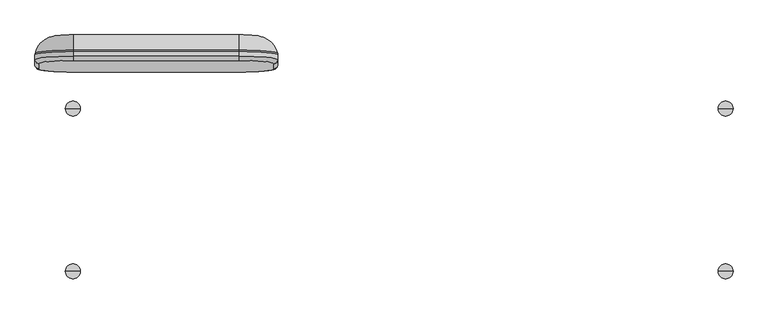
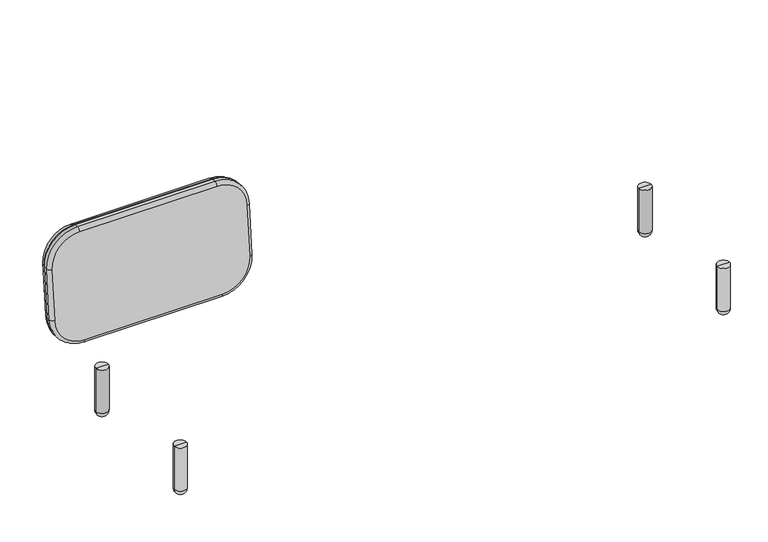
"""IFC4 building model written with IfcOpenShell, lengths in millimetres: furniture geometry."""

from ifc_helpers import new_model, si_unit, point, frame, origin, place, context, project, spatial, circle_curve, ellipse_curve, trimmed, source, transform, mapped, element, save
from ifc_brep_helpers import plane_surface, cylinder_surface, revolved_surface, advanced_brep


def furniture_05282ba3(model_context):
    return source(origin(), model_context, "Body", "AdvancedBrep", [
        advanced_brep(
        [(723.6309449, 439.994675, 555.7190034), (596.6309449, 451.0634543, 682.2357301), (596.6309449, 437.3049037, 670.6909353), (710.9309449, 427.3430023, 556.8258813), (723.6309449, 455.5265861, 554.3601372), (596.6309449, 466.5953655, 680.8768639), (710.9309449, 409.6329554, 354.3991187), (723.6309449, 422.2846281, 353.2922407), (723.6309449, 437.8165392, 351.9333746), (596.6309449, 399.671054, 240.5340647), (596.6309449, 411.2158488, 226.7755141), (596.6309449, 426.7477599, 225.4166479), (50.8286011, 399.671054, 240.5340647), (50.8286011, 411.2158488, 226.7755141), (50.8286011, 426.7477599, 225.4166479), (-63.4713989, 409.6329554, 354.3991187), (-76.1713989, 422.2846281, 353.2922407), (-76.1713989, 437.8165392, 351.9333746), (-63.4713989, 427.3430023, 556.8258813), (-76.1713989, 439.994675, 555.7190034), (-76.1713989, 455.5265861, 554.3601372), (50.8286011, 437.3049037, 670.6909353), (50.8286011, 451.0634543, 682.2357301), (50.8286011, 466.5953655, 680.8768639), (-6.3213989, 499.3807584, 346.5472033), (-6.3213989, 517.0908053, 548.973966), (50.8286011, 522.071756, 605.906493), (596.6309449, 522.071756, 605.906493), (653.7809449, 517.0908053, 548.973966), (653.7809449, 499.3807584, 346.5472033), (596.6309449, 494.3998077, 289.6146763), (50.8286011, 494.3998077, 289.6146763), (723.1321942, 460.5162968, 553.9235941), (596.6309449, 471.5416071, 679.943468), (723.1321942, 442.8062499, 351.4968315), (596.6309449, 431.7809395, 225.4769576), (50.8286011, 431.7809395, 225.4769576), (-75.6726482, 442.8062499, 351.4968315), (-75.6726482, 460.5162968, 553.9235941), (50.8286011, 471.5416071, 679.943468)],
        [
            (0, 1, circle_curve(frame((596.6309449, 439.994675, 555.7190034), z_axis=(0.0, -0.996194698091745, 0.08715574274766426), x_axis=(0.0, 0.08715574274766426, 0.996194698091745)), 127.0)),
            (1, 2, circle_curve(frame((596.6309449, 449.9565764, 669.5840574), z_axis=(1.0, 0.0, 0.0), x_axis=(0.0, -0.08715574274766424, -0.996194698091745)), 12.7)),
            (2, 3, circle_curve(frame((596.6309449, 427.3430023, 556.8258813), z_axis=(0.0, 0.996194698091745, -0.08715574274766426), x_axis=(0.0, 0.08715574274766426, 0.996194698091745)), 114.3)),
            (3, 0, circle_curve(frame((710.9309449, 439.994675, 555.7190034), z_axis=(0.0, 0.08715574274766424, 0.996194698091745), x_axis=(-1.0, 0.0, 0.0)), 12.7)),
            (0, 4),
            (4, 5, circle_curve(frame((596.6309449, 455.5265861, 554.3601372), z_axis=(0.0, -0.996194698091745, 0.08715574274766426), x_axis=(0.0, 0.08715574274766426, 0.996194698091745)), 127.0)),
            (5, 1),
            (3, 6),
            (6, 7, circle_curve(frame((710.9309449, 422.2846281, 353.2922407), z_axis=(0.0, 0.08715574274766427, 0.9961946980917451), x_axis=(-1.0, 0.0, 0.0)), 12.7)),
            (7, 0),
            (7, 8),
            (8, 4),
            (6, 9, circle_curve(frame((596.6309449, 409.6329554, 354.3991187), z_axis=(0.0, 0.996194698091745, -0.08715574274766426), x_axis=(1.0, 0.0, 0.0)), 114.3)),
            (9, 10, circle_curve(frame((596.6309449, 412.3227267, 239.4271867), z_axis=(1.0, 0.0, 0.0), x_axis=(0.0, 0.08715574274766427, 0.996194698091745)), 12.7)),
            (10, 7, circle_curve(frame((596.6309449, 422.2846281, 353.2922407), z_axis=(0.0, -0.996194698091745, 0.08715574274766426), x_axis=(1.0, 0.0, 0.0)), 127.0)),
            (10, 11),
            (11, 8, circle_curve(frame((596.6309449, 437.8165392, 351.9333746), z_axis=(0.0, -0.996194698091745, 0.08715574274766426), x_axis=(1.0, 0.0, 0.0)), 127.0)),
            (9, 12),
            (12, 13, circle_curve(frame((50.8286011, 412.3227267, 239.4271867), z_axis=(1.0, 0.0, 0.0), x_axis=(0.0, 0.08715574274766426, 0.996194698091745)), 12.7)),
            (13, 10),
            (13, 14),
            (14, 11),
            (12, 15, circle_curve(frame((50.8286011, 409.6329554, 354.3991187), z_axis=(0.0, 0.996194698091745, -0.08715574274766426), x_axis=(0.0, -0.08715574274766426, -0.996194698091745)), 114.3)),
            (15, 16, circle_curve(frame((-63.4713989, 422.2846281, 353.2922407), z_axis=(0.0, -0.08715574274766429, -0.996194698091745), x_axis=(1.0, 0.0, 0.0)), 12.7)),
            (16, 13, circle_curve(frame((50.8286011, 422.2846281, 353.2922407), z_axis=(0.0, -0.996194698091745, 0.08715574274766426), x_axis=(0.0, -0.08715574274766426, -0.996194698091745)), 127.0)),
            (16, 17),
            (17, 14, circle_curve(frame((50.8286011, 437.8165392, 351.9333746), z_axis=(0.0, -0.996194698091745, 0.08715574274766426), x_axis=(0.0, -0.08715574274766426, -0.996194698091745)), 127.0)),
            (15, 18),
            (18, 19, circle_curve(frame((-63.4713989, 439.994675, 555.7190034), z_axis=(0.0, -0.08715574274766426, -0.9961946980917451), x_axis=(1.0, 0.0, 0.0)), 12.7)),
            (19, 16),
            (19, 20),
            (20, 17),
            (18, 21, circle_curve(frame((50.8286011, 427.3430023, 556.8258813), z_axis=(0.0, 0.996194698091745, -0.08715574274766426), x_axis=(-1.0, 0.0, 0.0)), 114.3)),
            (21, 22, circle_curve(frame((50.8286011, 449.9565764, 669.5840574), z_axis=(-1.0, 0.0, 0.0), x_axis=(0.0, -0.08715574274766424, -0.996194698091745)), 12.7)),
            (22, 19, circle_curve(frame((50.8286011, 439.994675, 555.7190034), z_axis=(0.0, -0.996194698091745, 0.08715574274766426), x_axis=(-1.0, 0.0, 0.0)), 127.0)),
            (22, 23),
            (23, 20, circle_curve(frame((50.8286011, 455.5265861, 554.3601372), z_axis=(0.0, -0.996194698091745, 0.08715574274766426), x_axis=(-1.0, 0.0, 0.0)), 127.0)),
            (1, 22),
            (21, 2),
            (5, 23),
            (24, 25),
            (25, 26, circle_curve(frame((50.8286011, 517.0908053, 548.973966), z_axis=(0.0, 0.996194698091745, -0.08715574274766426), x_axis=(-1.0, 0.0, 0.0)), 57.15)),
            (26, 27),
            (27, 28, circle_curve(frame((596.6309449, 517.0908053, 548.973966), z_axis=(0.0, 0.996194698091745, -0.08715574274766426), x_axis=(0.0, 0.08715574274766426, 0.996194698091745)), 57.15)),
            (28, 29),
            (29, 30, circle_curve(frame((596.6309449, 499.3807584, 346.5472033), z_axis=(0.0, 0.996194698091745, -0.08715574274766426), x_axis=(1.0, 0.0, 0.0)), 57.15)),
            (30, 31),
            (31, 24, circle_curve(frame((50.8286011, 499.3807584, 346.5472033), z_axis=(0.0, 0.996194698091745, -0.08715574274766426), x_axis=(0.0, -0.08715574274766426, -0.996194698091745)), 57.15)),
            (4, 32, circle_curve(frame((698.2309449, 455.5265861, 554.3601372), z_axis=(0.0, 0.08715574274766424, 0.996194698091745), x_axis=(-1.0, 0.0, 0.0)), 25.4)),
            (32, 33, circle_curve(frame((596.6309449, 460.5162968, 553.9235941), z_axis=(0.0, -0.996194698091745, 0.08715574274766426), x_axis=(0.0, 0.08715574274766426, 0.996194698091745)), 126.5012493)),
            (33, 5, circle_curve(frame((596.6309449, 464.3816096, 655.5735186), z_axis=(1.0, 0.0, 0.0), x_axis=(0.0, -0.08715574274766424, -0.996194698091745)), 25.4)),
            (27, 33, circle_curve(frame((596.6309449, 451.6006488, 612.071916), z_axis=(1.0, 0.0, 0.0), x_axis=(0.0, -0.08715574274766424, -0.996194698091745)), 70.7402954)),
            (32, 28, circle_curve(frame((653.7809449, 446.6196981, 555.139389), z_axis=(0.0, 0.08715574274766424, 0.996194698091745), x_axis=(-1.0, 0.0, 0.0)), 70.7402954)),
            (8, 34, circle_curve(frame((698.2309449, 437.8165392, 351.9333746), z_axis=(0.0, 0.08715574274766427, 0.9961946980917451), x_axis=(-1.0, 0.0, 0.0)), 25.4)),
            (34, 32),
            (34, 29, circle_curve(frame((653.7809449, 428.9096512, 352.7126263), z_axis=(0.0, 0.08715574274766427, 0.9961946980917451), x_axis=(-1.0, 0.0, 0.0)), 70.7402954)),
            (11, 35, circle_curve(frame((596.6309449, 428.9615157, 250.7199933), z_axis=(1.0, 0.0, 0.0), x_axis=(0.0, 0.08715574274766427, 0.996194698091745)), 25.4)),
            (35, 34, circle_curve(frame((596.6309449, 442.8062499, 351.4968315), z_axis=(0.0, -0.996194698091745, 0.08715574274766426), x_axis=(1.0, 0.0, 0.0)), 126.5012493)),
            (35, 30, circle_curve(frame((596.6309449, 423.9287005, 295.7800993), z_axis=(1.0, 0.0, 0.0), x_axis=(0.0, 0.08715574274766427, 0.996194698091745)), 70.7402954)),
            (14, 36, circle_curve(frame((50.8286011, 428.9615157, 250.7199933), z_axis=(1.0, 0.0, 0.0), x_axis=(0.0, 0.08715574274766426, 0.996194698091745)), 25.4)),
            (36, 35),
            (36, 31, circle_curve(frame((50.8286011, 423.9287005, 295.7800993), z_axis=(1.0, 0.0, 0.0), x_axis=(0.0, 0.08715574274766426, 0.996194698091745)), 70.7402954)),
            (17, 37, circle_curve(frame((-50.7713989, 437.8165392, 351.9333746), z_axis=(0.0, -0.08715574274766429, -0.996194698091745), x_axis=(1.0, 0.0, 0.0)), 25.4)),
            (37, 36, circle_curve(frame((50.8286011, 442.8062499, 351.4968315), z_axis=(0.0, -0.996194698091745, 0.08715574274766426), x_axis=(0.0, -0.08715574274766426, -0.996194698091745)), 126.5012493)),
            (37, 24, circle_curve(frame((-6.3213989, 428.9096512, 352.7126263), z_axis=(0.0, -0.08715574274766429, -0.996194698091745), x_axis=(1.0, 0.0, 0.0)), 70.7402954)),
            (20, 38, circle_curve(frame((-50.7713989, 455.5265861, 554.3601372), z_axis=(0.0, -0.08715574274766426, -0.9961946980917451), x_axis=(1.0, 0.0, 0.0)), 25.4)),
            (38, 37),
            (38, 25, circle_curve(frame((-6.3213989, 446.6196981, 555.139389), z_axis=(0.0, -0.08715574274766426, -0.9961946980917451), x_axis=(1.0, 0.0, 0.0)), 70.7402954)),
            (23, 39, circle_curve(frame((50.8286011, 464.3816096, 655.5735186), z_axis=(-1.0, 0.0, 0.0), x_axis=(0.0, -0.08715574274766426, -0.996194698091745)), 25.4)),
            (39, 38, circle_curve(frame((50.8286011, 460.5162968, 553.9235941), z_axis=(0.0, -0.996194698091745, 0.08715574274766426), x_axis=(-1.0, 0.0, 0.0)), 126.5012493)),
            (39, 26, circle_curve(frame((50.8286011, 451.6006488, 612.071916), z_axis=(-1.0, 0.0, 0.0), x_axis=(0.0, -0.08715574274766426, -0.996194698091745)), 70.7402954)),
            (33, 39),
        ],
        [
            revolved_surface(trimmed(ellipse_curve(frame((596.6309449, 449.9565764, 669.5840574), z_axis=(-1.0, 0.0, 0.0), x_axis=(0.0, -0.08715574274766424, -0.996194698091745)), 12.7, 12.7), [point((596.6309449, 437.3049037, 670.6909353))], [point((596.6309449, 451.0634543, 682.2357301))], True, "CARTESIAN"), (596.6309449, 427.3430023, 556.8258813), (0.0, 0.996194698091745, -0.08715574274766426)),
            cylinder_surface(frame((596.6309449, 427.3430023, 556.8258813), z_axis=(0.0, 0.996194698091745, -0.08715574274766426), x_axis=(0.0, 0.08715574274766426, 0.996194698091745)), 127.0),
            cylinder_surface(frame((710.9309449, 439.994675, 555.7190034), z_axis=(0.0, 0.08715574274766427, 0.9961946980917451), x_axis=(-1.0, 0.0, 0.0)), 12.7),
            plane_surface(frame((723.6309449, 439.994675, 555.7190034), z_axis=(1.0, 0.0, 0.0), x_axis=(0.0, -0.0871557427476642, -0.996194698091745))),
            revolved_surface(trimmed(ellipse_curve(frame((710.9309449, 422.2846281, 353.2922407), z_axis=(0.0, 0.08715574274766423, 0.996194698091745), x_axis=(-1.0, 0.0, 0.0)), 12.7, 12.7), [point((710.9309449, 409.6329554, 354.3991187))], [point((723.6309449, 422.2846281, 353.2922407))], True, "CARTESIAN"), (596.6309449, 409.6329554, 354.3991187), (0.0, 0.996194698091745, -0.08715574274766426)),
            cylinder_surface(frame((596.6309449, 409.6329554, 354.3991187), z_axis=(0.0, 0.996194698091745, -0.08715574274766426), x_axis=(1.0, 0.0, 0.0)), 127.0),
            cylinder_surface(frame((596.6309449, 412.3227267, 239.4271867), z_axis=(1.0, 0.0, 0.0), x_axis=(0.0, 0.08715574274766426, 0.996194698091745)), 12.7),
            plane_surface(frame((596.6309449, 411.2158488, 226.7755141), z_axis=(0.0, -0.08715574274766154, -0.9961946980917452), x_axis=(-1.0, 0.0, 0.0))),
            revolved_surface(trimmed(ellipse_curve(frame((50.8286011, 412.3227267, 239.4271867), z_axis=(1.0, 0.0, 0.0), x_axis=(0.0, 0.08715574274766426, 0.996194698091745)), 12.7, 12.7), [point((50.8286011, 399.671054, 240.5340647))], [point((50.8286011, 411.2158488, 226.7755141))], True, "CARTESIAN"), (50.8286011, 409.6329554, 354.3991187), (0.0, 0.996194698091745, -0.08715574274766426)),
            cylinder_surface(frame((50.8286011, 409.6329554, 354.3991187), z_axis=(0.0, 0.996194698091745, -0.08715574274766426), x_axis=(0.0, -0.08715574274766426, -0.996194698091745)), 127.0),
            cylinder_surface(frame((-63.4713989, 422.2846281, 353.2922407), z_axis=(0.0, -0.08715574274766426, -0.9961946980917451), x_axis=(1.0, 0.0, 0.0)), 12.7),
            plane_surface(frame((-76.1713989, 422.2846281, 353.2922407), z_axis=(-1.0, 0.0, 0.0), x_axis=(0.0, 0.08715574274766429, 0.996194698091745))),
            revolved_surface(trimmed(ellipse_curve(frame((-63.4713989, 439.994675, 555.7190034), z_axis=(0.0, -0.08715574274766424, -0.996194698091745), x_axis=(1.0, 0.0, 0.0)), 12.7, 12.7), [point((-63.4713989, 427.3430023, 556.8258813))], [point((-76.1713989, 439.994675, 555.7190034))], True, "CARTESIAN"), (50.8286011, 427.3430023, 556.8258813), (0.0, 0.996194698091745, -0.08715574274766426)),
            cylinder_surface(frame((50.8286011, 427.3430023, 556.8258813), z_axis=(0.0, 0.996194698091745, -0.08715574274766426), x_axis=(-1.0, 0.0, 0.0)), 127.0),
            cylinder_surface(frame((50.8286011, 449.9565764, 669.5840574), z_axis=(-1.0, 0.0, 0.0), x_axis=(0.0, -0.08715574274766426, -0.996194698091745)), 12.7),
            plane_surface(frame((50.8286011, 451.0634543, 682.2357301), z_axis=(0.0, 0.08715574274766698, 0.9961946980917449), x_axis=(1.0, 0.0, 0.0))),
            plane_surface(frame((50.8286011, 522.071756, 605.906493), z_axis=(0.0, 0.9961946980917451, -0.08715574274766395), x_axis=(1.0, 0.0, 0.0))),
            plane_surface(frame((50.8286011, 429.5567582, 582.1292267), z_axis=(0.0, -0.996194698091745, 0.08715574274766422), x_axis=(1.0, 0.0, 0.0))),
            revolved_surface(trimmed(ellipse_curve(frame((596.6309449, 464.3816096, 655.5735186), z_axis=(-1.0, 0.0, 0.0), x_axis=(0.0, -0.08715574274766424, -0.996194698091745)), 25.4, 25.4), [point((596.6309449, 466.5953655, 680.8768639))], [point((596.6309449, 471.5416071, 679.943468))], True, "CARTESIAN"), (596.6309449, 427.3430023, 556.8258813), (0.0, 0.996194698091745, -0.08715574274766426)),
            revolved_surface(trimmed(ellipse_curve(frame((596.6309449, 451.6006488, 612.071916), z_axis=(-1.0, 0.0, 0.0), x_axis=(0.0, -0.08715574274766424, -0.996194698091745)), 70.7402954, 70.7402954), [point((596.6309449, 471.5416071, 679.943468))], [point((596.6309449, 522.071756, 605.906493))], True, "CARTESIAN"), (596.6309449, 427.3430023, 556.8258813), (0.0, 0.996194698091745, -0.08715574274766426)),
            cylinder_surface(frame((698.2309449, 455.5265861, 554.3601372), z_axis=(0.0, 0.08715574274766427, 0.9961946980917451), x_axis=(-1.0, 0.0, 0.0)), 25.4),
            cylinder_surface(frame((653.7809449, 446.6196981, 555.139389), z_axis=(0.0, 0.08715574274766427, 0.9961946980917451), x_axis=(-1.0, 0.0, 0.0)), 70.7402954),
            revolved_surface(trimmed(ellipse_curve(frame((698.2309449, 437.8165392, 351.9333746), z_axis=(0.0, 0.08715574274766423, 0.996194698091745), x_axis=(-1.0, 0.0, 0.0)), 25.4, 25.4), [point((723.6309449, 437.8165392, 351.9333746))], [point((723.1321942, 442.8062499, 351.4968315))], True, "CARTESIAN"), (596.6309449, 409.6329554, 354.3991187), (0.0, 0.996194698091745, -0.08715574274766426)),
            revolved_surface(trimmed(ellipse_curve(frame((653.7809449, 428.9096512, 352.7126263), z_axis=(0.0, 0.08715574274766423, 0.996194698091745), x_axis=(-1.0, 0.0, 0.0)), 70.7402954, 70.7402954), [point((723.1321942, 442.8062499, 351.4968315))], [point((653.7809449, 499.3807584, 346.5472033))], True, "CARTESIAN"), (596.6309449, 409.6329554, 354.3991187), (0.0, 0.996194698091745, -0.08715574274766426)),
            cylinder_surface(frame((596.6309449, 428.9615157, 250.7199933), z_axis=(1.0, 0.0, 0.0), x_axis=(0.0, 0.08715574274766426, 0.996194698091745)), 25.4),
            cylinder_surface(frame((596.6309449, 423.9287005, 295.7800993), z_axis=(1.0, 0.0, 0.0), x_axis=(0.0, 0.08715574274766426, 0.996194698091745)), 70.7402954),
            revolved_surface(trimmed(ellipse_curve(frame((50.8286011, 428.9615157, 250.7199933), z_axis=(1.0, 0.0, 0.0), x_axis=(0.0, 0.08715574274766426, 0.996194698091745)), 25.4, 25.4), [point((50.8286011, 426.7477599, 225.4166479))], [point((50.8286011, 431.7809395, 225.4769576))], True, "CARTESIAN"), (50.8286011, 409.6329554, 354.3991187), (0.0, 0.996194698091745, -0.08715574274766426)),
            revolved_surface(trimmed(ellipse_curve(frame((50.8286011, 423.9287005, 295.7800993), z_axis=(1.0, 0.0, 0.0), x_axis=(0.0, 0.08715574274766426, 0.996194698091745)), 70.7402954, 70.7402954), [point((50.8286011, 431.7809395, 225.4769576))], [point((50.8286011, 494.3998077, 289.6146763))], True, "CARTESIAN"), (50.8286011, 409.6329554, 354.3991187), (0.0, 0.996194698091745, -0.08715574274766426)),
            cylinder_surface(frame((-50.7713989, 437.8165392, 351.9333746), z_axis=(0.0, -0.08715574274766426, -0.9961946980917451), x_axis=(1.0, 0.0, 0.0)), 25.4),
            cylinder_surface(frame((-6.3213989, 428.9096512, 352.7126263), z_axis=(0.0, -0.08715574274766426, -0.9961946980917451), x_axis=(1.0, 0.0, 0.0)), 70.7402954),
            revolved_surface(trimmed(ellipse_curve(frame((-50.7713989, 455.5265861, 554.3601372), z_axis=(0.0, -0.08715574274766424, -0.996194698091745), x_axis=(1.0, 0.0, 0.0)), 25.4, 25.4), [point((-76.1713989, 455.5265861, 554.3601372))], [point((-75.6726482, 460.5162968, 553.9235941))], True, "CARTESIAN"), (50.8286011, 427.3430023, 556.8258813), (0.0, 0.996194698091745, -0.08715574274766426)),
            revolved_surface(trimmed(ellipse_curve(frame((-6.3213989, 446.6196981, 555.139389), z_axis=(0.0, -0.08715574274766424, -0.996194698091745), x_axis=(1.0, 0.0, 0.0)), 70.7402954, 70.7402954), [point((-75.6726482, 460.5162968, 553.9235941))], [point((-6.3213989, 517.0908053, 548.973966))], True, "CARTESIAN"), (50.8286011, 427.3430023, 556.8258813), (0.0, 0.996194698091745, -0.08715574274766426)),
            cylinder_surface(frame((50.8286011, 464.3816096, 655.5735186), z_axis=(-1.0, 0.0, 0.0), x_axis=(0.0, -0.08715574274766427, -0.996194698091745)), 25.4),
            cylinder_surface(frame((50.8286011, 451.6006488, 612.071916), z_axis=(-1.0, 0.0, 0.0), x_axis=(0.0, -0.08715574274766427, -0.996194698091745)), 70.7402954),
        ],
        [
            (0, [[1, 2, 3, 4]]),
            (1, [[-1, 5, 6, 7]]),
            (2, [[-4, 8, 9, 10]]),
            (3, [[-5, -10, 11, 12]]),
            (4, [[-9, 13, 14, 15]]),
            (5, [[-11, -15, 16, 17]]),
            (6, [[-14, 18, 19, 20]]),
            (7, [[-16, -20, 21, 22]]),
            (8, [[-19, 23, 24, 25]]),
            (9, [[-21, -25, 26, 27]]),
            (10, [[-24, 28, 29, 30]]),
            (11, [[-26, -30, 31, 32]]),
            (12, [[-29, 33, 34, 35]]),
            (13, [[-31, -35, 36, 37]]),
            (14, [[-2, 38, -34, 39]]),
            (15, [[-7, 40, -36, -38]]),
            (16, [[41, 42, 43, 44, 45, 46, 47, 48]]),
            (17, [[-3, -39, -33, -28, -23, -18, -13, -8]]),
            (18, [[-6, 49, 50, 51]]),
            (19, [[-44, 52, -50, 53]]),
            (20, [[-12, 54, 55, -49]]),
            (21, [[-45, -53, -55, 56]]),
            (22, [[-17, 57, 58, -54]]),
            (23, [[-46, -56, -58, 59]]),
            (24, [[-22, 60, 61, -57]]),
            (25, [[-47, -59, -61, 62]]),
            (26, [[-27, 63, 64, -60]]),
            (27, [[-48, -62, -64, 65]]),
            (28, [[-32, 66, 67, -63]]),
            (29, [[-41, -65, -67, 68]]),
            (30, [[-37, 69, 70, -66]]),
            (31, [[-42, -68, -70, 71]]),
            (32, [[-40, -51, 72, -69]]),
            (33, [[-43, -71, -72, -52]]),
        ],
    ),
        advanced_brep(
        [(2189.6601417, 279.1519531, 0.0), (2208.764248, 279.1519531, 0.0), (2199.2121949, 279.1519531, 0.0), (2199.2121949, 279.1519531, 204.0), (2223.7704942, 279.1519531, 204.0), (2174.6538955, 279.1519531, 204.0), (2223.7704942, 279.1519531, 23.6724089), (2174.6538955, 279.1519531, 23.6724089)],
        [
            (0, 1, circle_curve(frame((2199.2121949, 279.1519531, 0.0), z_axis=(0.0, 0.0, -1.0), x_axis=(1.0, 0.0, 0.0)), 9.5520532)),
            (1, 2),
            (2, 0),
            (1, 0, circle_curve(frame((2199.2121949, 279.1519531, 0.0), z_axis=(0.0, 0.0, -1.0), x_axis=(1.0, 0.0, 0.0)), 9.5520532)),
            (3, 4),
            (4, 5, circle_curve(frame((2199.2121949, 279.1519531, 204.0), z_axis=(0.0, 0.0, 1.0), x_axis=(1.0, 0.0, 0.0)), 24.5582993)),
            (5, 3),
            (5, 4, circle_curve(frame((2199.2121949, 279.1519531, 204.0), z_axis=(0.0, 0.0, 1.0), x_axis=(1.0, 0.0, 0.0)), 24.5582993)),
            (4, 6),
            (6, 7, circle_curve(frame((2199.2121949, 279.1519531, 23.6724089), z_axis=(0.0, 0.0, 1.0), x_axis=(1.0, 0.0, 0.0)), 24.5582993)),
            (7, 5),
            (7, 6, circle_curve(frame((2199.2121949, 279.1519531, 23.6724089), z_axis=(0.0, 0.0, 1.0), x_axis=(1.0, 0.0, 0.0)), 24.5582993)),
            (6, 1, ellipse_curve(frame((2198.1811309, 279.1519531, 23.6724089), z_axis=(0.0, 1.0, 0.0), x_axis=(0.0, 0.0, 1.0)), 26.000204, 25.5893633)),
            (0, 7, ellipse_curve(frame((2200.2432588, 279.1519531, 23.6724089), z_axis=(0.0, 1.0, 0.0), x_axis=(0.0, 0.0, 1.0)), 26.000204, 25.5893633)),
        ],
        [
            plane_surface(frame((2199.2121949, 279.1519531, 0.0), z_axis=(0.0, 0.0, -1.0), x_axis=(1.0, 0.0, 0.0))),
            plane_surface(frame((2199.2121949, 279.1519531, 204.0), z_axis=(0.0, 0.0, 1.0), x_axis=(1.0, 0.0, 0.0))),
            cylinder_surface(frame((2199.2121949, 279.1519531, -76.2), z_axis=(0.0, 0.0, 1.0), x_axis=(1.0, 0.0, 0.0)), 24.5582993),
            revolved_surface(trimmed(ellipse_curve(frame((2198.1811309, 279.1519531, 23.6724089), z_axis=(0.0, -1.0, 0.0), x_axis=(0.0, 0.0, 1.0)), 26.000204, 25.5893633), [point((2208.764248, 279.1519531, 0.0))], [point((2223.7704942, 279.1519531, 23.6724089))], True, "CARTESIAN"), (2199.2121949, 279.1519531, -76.2), (0.0, 0.0, 1.0)),
        ],
        [
            (0, [[1, 2, 3]]),
            (0, [[4, -3, -2]]),
            (1, [[5, 6, 7]]),
            (1, [[-7, 8, -5]]),
            (2, [[-6, 9, 10, 11]]),
            (2, [[-8, -11, 12, -9]]),
            (3, [[-10, 13, -1, 14]]),
            (3, [[-12, -14, -4, -13]]),
        ],
    ),
        advanced_brep(
        [(39.1929542, 279.1519531, 0.0), (58.2970605, 279.1519531, 0.0), (48.7450074, 279.1519531, 0.0), (48.7450074, 279.1519531, 204.0), (73.3033067, 279.1519531, 204.0), (24.186708, 279.1519531, 204.0), (73.3033067, 279.1519531, 23.6724089), (24.186708, 279.1519531, 23.6724089)],
        [
            (0, 1, circle_curve(frame((48.7450074, 279.1519531, 0.0), z_axis=(0.0, 0.0, -1.0), x_axis=(1.0, 0.0, 0.0)), 9.5520532)),
            (1, 2),
            (2, 0),
            (1, 0, circle_curve(frame((48.7450074, 279.1519531, 0.0), z_axis=(0.0, 0.0, -1.0), x_axis=(1.0, 0.0, 0.0)), 9.5520532)),
            (3, 4),
            (4, 5, circle_curve(frame((48.7450074, 279.1519531, 204.0), z_axis=(0.0, 0.0, 1.0), x_axis=(1.0, 0.0, 0.0)), 24.5582993)),
            (5, 3),
            (5, 4, circle_curve(frame((48.7450074, 279.1519531, 204.0), z_axis=(0.0, 0.0, 1.0), x_axis=(1.0, 0.0, 0.0)), 24.5582993)),
            (4, 6),
            (6, 7, circle_curve(frame((48.7450074, 279.1519531, 23.6724089), z_axis=(0.0, 0.0, 1.0), x_axis=(1.0, 0.0, 0.0)), 24.5582993)),
            (7, 5),
            (7, 6, circle_curve(frame((48.7450074, 279.1519531, 23.6724089), z_axis=(0.0, 0.0, 1.0), x_axis=(1.0, 0.0, 0.0)), 24.5582993)),
            (6, 1, ellipse_curve(frame((47.7139434, 279.1519531, 23.6724089), z_axis=(0.0, 1.0, 0.0), x_axis=(0.0, 0.0, 1.0)), 26.000204, 25.5893633)),
            (0, 7, ellipse_curve(frame((49.7760713, 279.1519531, 23.6724089), z_axis=(0.0, 1.0, 0.0), x_axis=(0.0, 0.0, 1.0)), 26.000204, 25.5893633)),
        ],
        [
            plane_surface(frame((48.7450074, 279.1519531, 0.0), z_axis=(0.0, 0.0, -1.0), x_axis=(1.0, 0.0, 0.0))),
            plane_surface(frame((48.7450074, 279.1519531, 204.0), z_axis=(0.0, 0.0, 1.0), x_axis=(1.0, 0.0, 0.0))),
            cylinder_surface(frame((48.7450074, 279.1519531, -76.2), z_axis=(0.0, 0.0, 1.0), x_axis=(1.0, 0.0, 0.0)), 24.5582993),
            revolved_surface(trimmed(ellipse_curve(frame((47.7139434, 279.1519531, 23.6724089), z_axis=(0.0, -1.0, 0.0), x_axis=(0.0, 0.0, 1.0)), 26.000204, 25.5893633), [point((58.2970605, 279.1519531, 0.0))], [point((73.3033067, 279.1519531, 23.6724089))], True, "CARTESIAN"), (48.7450074, 279.1519531, -76.2), (0.0, 0.0, 1.0)),
        ],
        [
            (0, [[1, 2, 3]]),
            (0, [[4, -3, -2]]),
            (1, [[5, 6, 7]]),
            (1, [[-7, 8, -5]]),
            (2, [[-6, 9, 10, 11]]),
            (2, [[-8, -11, 12, -9]]),
            (3, [[-10, 13, -1, 14]]),
            (3, [[-12, -14, -4, -13]]),
        ],
    ),
        advanced_brep(
        [(2199.2121949, -258.4152344, 0.0), (2208.764248, -258.4152344, 0.0), (2189.6601417, -258.4152344, 0.0), (2174.6538955, -258.4152344, 204.0), (2223.7704942, -258.4152344, 204.0), (2199.2121949, -258.4152344, 204.0), (2174.6538955, -258.4152344, 23.6724089), (2223.7704942, -258.4152344, 23.6724089)],
        [
            (0, 1),
            (1, 2, circle_curve(frame((2199.2121949, -258.4152344, 0.0), z_axis=(0.0, 0.0, -1.0), x_axis=(1.0, 0.0, 0.0)), 9.5520532)),
            (2, 0),
            (2, 1, circle_curve(frame((2199.2121949, -258.4152344, 0.0), z_axis=(0.0, 0.0, -1.0), x_axis=(1.0, 0.0, 0.0)), 9.5520532)),
            (3, 4, circle_curve(frame((2199.2121949, -258.4152344, 204.0), z_axis=(0.0, 0.0, 1.0), x_axis=(1.0, 0.0, 0.0)), 24.5582993)),
            (4, 5),
            (5, 3),
            (4, 3, circle_curve(frame((2199.2121949, -258.4152344, 204.0), z_axis=(0.0, 0.0, 1.0), x_axis=(1.0, 0.0, 0.0)), 24.5582993)),
            (6, 7, circle_curve(frame((2199.2121949, -258.4152344, 23.6724089), z_axis=(0.0, 0.0, 1.0), x_axis=(1.0, 0.0, 0.0)), 24.5582993)),
            (7, 4),
            (3, 6),
            (7, 6, circle_curve(frame((2199.2121949, -258.4152344, 23.6724089), z_axis=(0.0, 0.0, 1.0), x_axis=(1.0, 0.0, 0.0)), 24.5582993)),
            (1, 7, ellipse_curve(frame((2198.1811309, -258.4152344, 23.6724089), z_axis=(0.0, -1.0, 0.0), x_axis=(0.0, 0.0, 1.0)), 26.000204, 25.5893633)),
            (6, 2, ellipse_curve(frame((2200.2432588, -258.4152344, 23.6724089), z_axis=(0.0, -1.0, 0.0), x_axis=(0.0, 0.0, 1.0)), 26.000204, 25.5893633)),
        ],
        [
            plane_surface(frame((2199.2121949, -258.4152344, 0.0), z_axis=(0.0, 0.0, -1.0), x_axis=(1.0, 0.0, 0.0))),
            plane_surface(frame((2199.2121949, -258.4152344, 204.0), z_axis=(0.0, 0.0, 1.0), x_axis=(1.0, 0.0, 0.0))),
            cylinder_surface(frame((2199.2121949, -258.4152344, -76.2), z_axis=(0.0, 0.0, -1.0), x_axis=(1.0, 0.0, 0.0)), 24.5582993),
            revolved_surface(trimmed(ellipse_curve(frame((2198.1811309, -258.4152344, 23.6724089), z_axis=(0.0, 1.0, 0.0), x_axis=(0.0, 0.0, 1.0)), 26.000204, 25.5893633), [point((2223.7704942, -258.4152344, 23.6724089))], [point((2208.764248, -258.4152344, 0.0))], True, "CARTESIAN"), (2199.2121949, -258.4152344, -76.2), (0.0, 0.0, -1.0)),
        ],
        [
            (0, [[1, 2, 3]]),
            (0, [[-3, 4, -1]]),
            (1, [[5, 6, 7]]),
            (1, [[8, -7, -6]]),
            (2, [[9, 10, -5, 11]]),
            (2, [[12, -11, -8, -10]]),
            (3, [[-2, 13, -9, 14]]),
            (3, [[-4, -14, -12, -13]]),
        ],
    ),
        advanced_brep(
        [(48.7450074, -258.4152344, 0.0), (58.2970605, -258.4152344, 0.0), (39.1929542, -258.4152344, 0.0), (24.186708, -258.4152344, 204.0), (73.3033067, -258.4152344, 204.0), (48.7450074, -258.4152344, 204.0), (24.186708, -258.4152344, 23.6724089), (73.3033067, -258.4152344, 23.6724089)],
        [
            (0, 1),
            (1, 2, circle_curve(frame((48.7450074, -258.4152344, 0.0), z_axis=(0.0, 0.0, -1.0), x_axis=(1.0, 0.0, 0.0)), 9.5520532)),
            (2, 0),
            (2, 1, circle_curve(frame((48.7450074, -258.4152344, 0.0), z_axis=(0.0, 0.0, -1.0), x_axis=(1.0, 0.0, 0.0)), 9.5520532)),
            (3, 4, circle_curve(frame((48.7450074, -258.4152344, 204.0), z_axis=(0.0, 0.0, 1.0), x_axis=(1.0, 0.0, 0.0)), 24.5582993)),
            (4, 5),
            (5, 3),
            (4, 3, circle_curve(frame((48.7450074, -258.4152344, 204.0), z_axis=(0.0, 0.0, 1.0), x_axis=(1.0, 0.0, 0.0)), 24.5582993)),
            (6, 7, circle_curve(frame((48.7450074, -258.4152344, 23.6724089), z_axis=(0.0, 0.0, 1.0), x_axis=(1.0, 0.0, 0.0)), 24.5582993)),
            (7, 4),
            (3, 6),
            (7, 6, circle_curve(frame((48.7450074, -258.4152344, 23.6724089), z_axis=(0.0, 0.0, 1.0), x_axis=(1.0, 0.0, 0.0)), 24.5582993)),
            (1, 7, ellipse_curve(frame((47.7139434, -258.4152344, 23.6724089), z_axis=(0.0, -1.0, 0.0), x_axis=(0.0, 0.0, 1.0)), 26.000204, 25.5893633)),
            (6, 2, ellipse_curve(frame((49.7760713, -258.4152344, 23.6724089), z_axis=(0.0, -1.0, 0.0), x_axis=(0.0, 0.0, 1.0)), 26.000204, 25.5893633)),
        ],
        [
            plane_surface(frame((48.7450074, -258.4152344, 0.0), z_axis=(0.0, 0.0, -1.0), x_axis=(1.0, 0.0, 0.0))),
            plane_surface(frame((48.7450074, -258.4152344, 204.0), z_axis=(0.0, 0.0, 1.0), x_axis=(1.0, 0.0, 0.0))),
            cylinder_surface(frame((48.7450074, -258.4152344, -76.2), z_axis=(0.0, 0.0, -1.0), x_axis=(1.0, 0.0, 0.0)), 24.5582993),
            revolved_surface(trimmed(ellipse_curve(frame((47.7139434, -258.4152344, 23.6724089), z_axis=(0.0, 1.0, 0.0), x_axis=(0.0, 0.0, 1.0)), 26.000204, 25.5893633), [point((73.3033067, -258.4152344, 23.6724089))], [point((58.2970605, -258.4152344, 0.0))], True, "CARTESIAN"), (48.7450074, -258.4152344, -76.2), (0.0, 0.0, -1.0)),
        ],
        [
            (0, [[1, 2, 3]]),
            (0, [[-3, 4, -1]]),
            (1, [[5, 6, 7]]),
            (1, [[8, -7, -6]]),
            (2, [[9, 10, -5, 11]]),
            (2, [[12, -11, -8, -10]]),
            (3, [[-2, 13, -9, 14]]),
            (3, [[-4, -14, -12, -13]]),
        ],
    ),
    ])


if __name__ == "__main__":
    model = new_model("IFC4")
    model_context = context("Model", 3, world=origin())
    ifc_project = project(units=[si_unit("LENGTHUNIT", "METRE", prefix="MILLI")], contexts=[model_context])
    site = spatial("IfcSite", under=ifc_project)
    building = spatial("IfcBuilding", under=site)
    placement = place(None, origin())
    furniture_shape = furniture_05282ba3(model_context)
    element("IfcFurniture", 1, at=placement, inside=building, context=model_context, shape_type="MappedRepresentation", body=[
        mapped(furniture_shape, transform((0.0, 0.0, 0.0), x_axis=(1.0, 0.0, 0.0), y_axis=(0.0, 1.0, 0.0), z_axis=(0.0, 0.0, 1.0))),
    ])
    save(model, "model.ifc")
